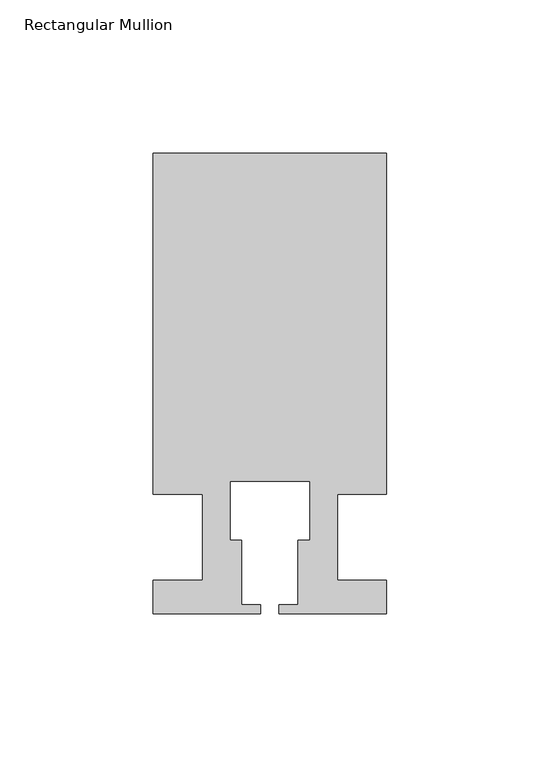
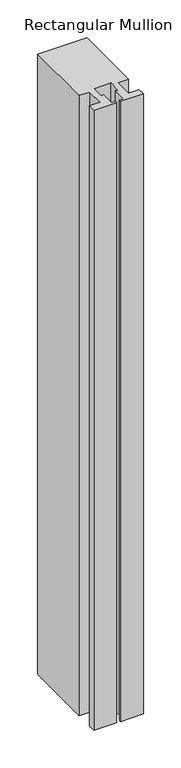
"""IFC4 building model written with IfcOpenShell, lengths in millimetres: member geometry, Rectangular Mullion."""

from ifc_helpers import new_model, si_unit, frame, origin, place, context, project, spatial, polyline, outline, extrude, source, transform, mapped, element, save


def rectangular_mullion_8c0211b1(model_context):
    return source(origin(), model_context, "Body", "SweptSolid", [
        extrude(outline(polyline([(37.9999914, 124.9960123), (37.9999914, 13.9960123), (21.9999651, 13.9960123), (21.9999651, -14.0039877), (37.9999896, -14.0039877), (37.9999896, -25.0039877), (2.9999651, -25.0039877), (2.9999651, -22.0039877), (9.1999651, -22.0039877), (9.1999651, -1.0039877), (12.9999651, -1.0039877), (12.9999651, 18.1960075), (-12.9999633, 18.1960075), (-12.9999633, -1.0039877), (-9.1999633, -1.0039877), (-9.1999633, -22.0039877), (-2.9999896, -22.0039877), (-2.9999896, -25.0039877), (-37.9999896, -25.0039877), (-37.9999896, -14.0039877), (-21.9999633, -14.0039877), (-21.9999633, 13.9959029), (-37.9999896, 13.9959029), (-37.9999896, 124.9960123), (37.9999914, 124.9960123)])), frame((0.0, 0.0, -1006.6623342), z_axis=(0.0, 0.0, 1.0), x_axis=(1.0, 0.0, 0.0)), (0.0, 0.0, 1.0), 1006.6623342),
    ])


if __name__ == "__main__":
    model = new_model("IFC4")
    model_context = context("Model", 3, world=origin())
    ifc_project = project(units=[si_unit("LENGTHUNIT", "METRE", prefix="MILLI")], contexts=[model_context])
    site = spatial("IfcSite", under=ifc_project)
    building = spatial("IfcBuilding", under=site)
    placement = place(None, origin())
    rectangular_mullion_shape = rectangular_mullion_8c0211b1(model_context)
    element("IfcMember", 1, ObjectType="Rectangular Mullion", at=placement, inside=building, context=model_context, shape_type="MappedRepresentation", body=[
        mapped(rectangular_mullion_shape, transform((0.0, 0.0, 0.0), x_axis=(1.0, 0.0, 0.0), y_axis=(0.0, 1.0, 0.0), z_axis=(0.0, 0.0, 1.0))),
    ])
    save(model, "model.ifc")
